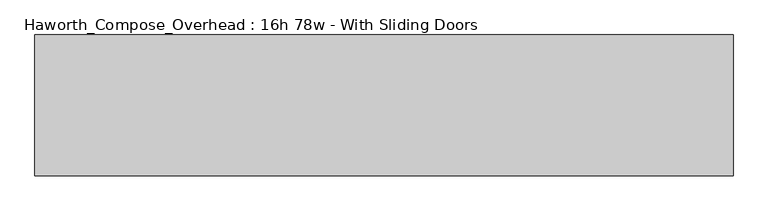
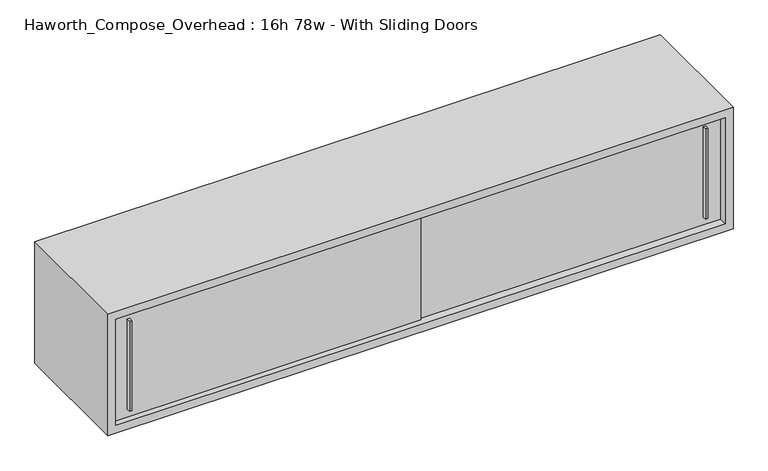
"""IFC4 building model written with IfcOpenShell, lengths in millimetres: furniture geometry, Haworth_Compose_Overhead : 16h 78w - With Sliding Doors."""

from ifc_helpers import new_model, si_unit, frame, origin, place, context, project, spatial, polyline, outline, extrude, source, transform, mapped, element, save


def haworth_compose_overhead_16h_78w_with_sliding_doors_78ac5bce(model_context):
    return source(origin(), model_context, "Body", "SweptSolid", [
        extrude(outline(polyline([(1082.6750004, -387.3499879), (1076.3249996, -387.3499879), (1074.7375011, -374.65), (1084.2624989, -374.65), (1082.6750004, -387.3499879)])), frame((0.0, 0.0, 1322.3875), z_axis=(0.0, 0.0, 1.0), x_axis=(1.0, 0.0, 0.0)), (0.0, 0.0, 1.0), 301.625),
        extrude(outline(polyline([(-746.1249996, -393.6999879), (-752.4750004, -393.6999879), (-754.0624989, -381.0), (-744.5375011, -381.0), (-746.1249996, -393.6999879)])), frame((0.0, 0.0, 1322.3875), z_axis=(0.0, 0.0, 1.0), x_axis=(1.0, 0.0, 0.0)), (0.0, 0.0, 1.0), 301.625),
        extrude(outline(polyline([(-800.1, -374.65), (177.8, -374.65), (177.8, -381.0), (-800.1, -381.0), (-800.1, -374.65)])), frame((0.0, 0.0, 1295.4), z_axis=(0.0, 0.0, 1.0), x_axis=(1.0, 0.0, 0.0)), (0.0, 0.0, 1.0), 355.6),
        extrude(outline(polyline([(152.4, -368.3), (1130.3, -368.3), (1130.3, -374.65), (152.4, -374.65), (152.4, -368.3)])), frame((0.0, 0.0, 1295.4), z_axis=(0.0, 0.0, 1.0), x_axis=(1.0, 0.0, 0.0)), (0.0, 0.0, 1.0), 355.6),
        extrude(outline(polyline([(1130.3, -6.35), (-800.1, -6.35), (-800.1, 0.0), (1130.3, 0.0), (1130.3, -6.35)])), frame((0.0, 0.0, 1295.4), z_axis=(0.0, 0.0, 1.0), x_axis=(1.0, 0.0, 0.0)), (0.0, 0.0, 1.0), 355.6),
        extrude(outline(polyline([(1270.0, 1155.7), (1676.4, 1155.7), (1676.4, -825.5), (1270.0, -825.5), (1270.0, 1155.7)]), holes=[polyline([(1651.0, 1130.3), (1295.4, 1130.3), (1295.4, -800.1), (1651.0, -800.1), (1651.0, 1130.3)])]), frame((0.0, -400.05, 0.0), z_axis=(0.0, 1.0, 0.0), x_axis=(0.0, 0.0, 1.0)), (0.0, 0.0, 1.0), 400.05),
    ])


if __name__ == "__main__":
    model = new_model("IFC4")
    model_context = context("Model", 3, world=origin())
    ifc_project = project(units=[si_unit("LENGTHUNIT", "METRE", prefix="MILLI")], contexts=[model_context])
    site = spatial("IfcSite", under=ifc_project)
    building = spatial("IfcBuilding", under=site)
    placement = place(None, origin())
    haworth_compose_overhead_16h_78w_with_sliding_doors_shape = haworth_compose_overhead_16h_78w_with_sliding_doors_78ac5bce(model_context)
    element("IfcFurniture", 1, ObjectType="Haworth_Compose_Overhead : 16h 78w - With Sliding Doors", at=placement, inside=building, context=model_context, shape_type="MappedRepresentation", body=[
        mapped(haworth_compose_overhead_16h_78w_with_sliding_doors_shape, transform((0.0, 0.0, 0.0), x_axis=(1.0, 0.0, 0.0), y_axis=(0.0, 1.0, 0.0), z_axis=(0.0, 0.0, 1.0))),
    ])
    save(model, "model.ifc")
